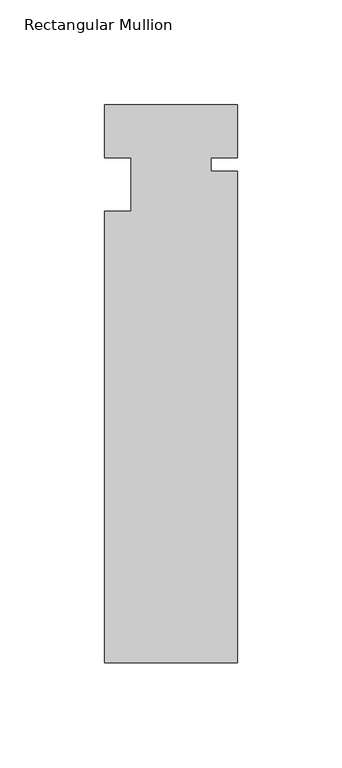
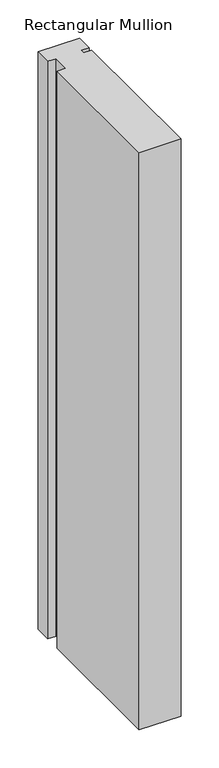
"""IFC4 building model written with IfcOpenShell, lengths in millimetres: member geometry, Rectangular Mullion."""

from ifc_helpers import new_model, si_unit, frame, origin, place, context, project, spatial, polyline, outline, extrude, source, transform, mapped, element, save


def rectangular_mullion_3b15e92d(model_context):
    return source(origin(), model_context, "Body", "SweptSolid", [
        extrude(outline(polyline([(31.75, -228.6), (-31.75, -228.6), (-31.75, -12.7), (-19.05, -12.7), (-19.05, 12.7), (-31.75, 12.7), (-31.75, 38.1), (31.75, 38.1), (31.75, 12.7), (19.05, 12.7), (19.05, 6.35), (31.75, 6.35), (31.75, -228.6)])), frame((0.0, 0.0, -927.1), z_axis=(0.0, 0.0, 1.0), x_axis=(1.0, 0.0, 0.0)), (0.0, 0.0, 1.0), 927.1),
    ])


if __name__ == "__main__":
    model = new_model("IFC4")
    model_context = context("Model", 3, world=origin())
    ifc_project = project(units=[si_unit("LENGTHUNIT", "METRE", prefix="MILLI")], contexts=[model_context])
    site = spatial("IfcSite", under=ifc_project)
    building = spatial("IfcBuilding", under=site)
    placement = place(None, origin())
    rectangular_mullion_shape = rectangular_mullion_3b15e92d(model_context)
    element("IfcMember", 1, ObjectType="Rectangular Mullion", at=placement, inside=building, context=model_context, shape_type="MappedRepresentation", body=[
        mapped(rectangular_mullion_shape, transform((0.0, 0.0, 0.0), x_axis=(1.0, 0.0, 0.0), y_axis=(0.0, 1.0, 0.0), z_axis=(0.0, 0.0, 1.0))),
    ])
    save(model, "model.ifc")
